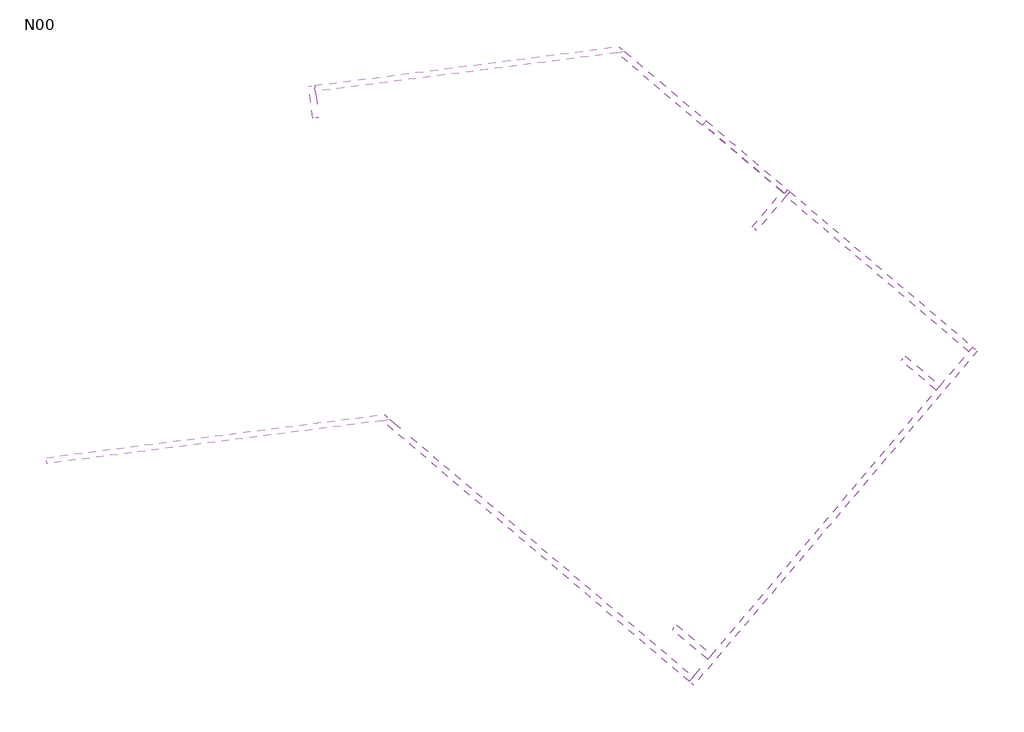
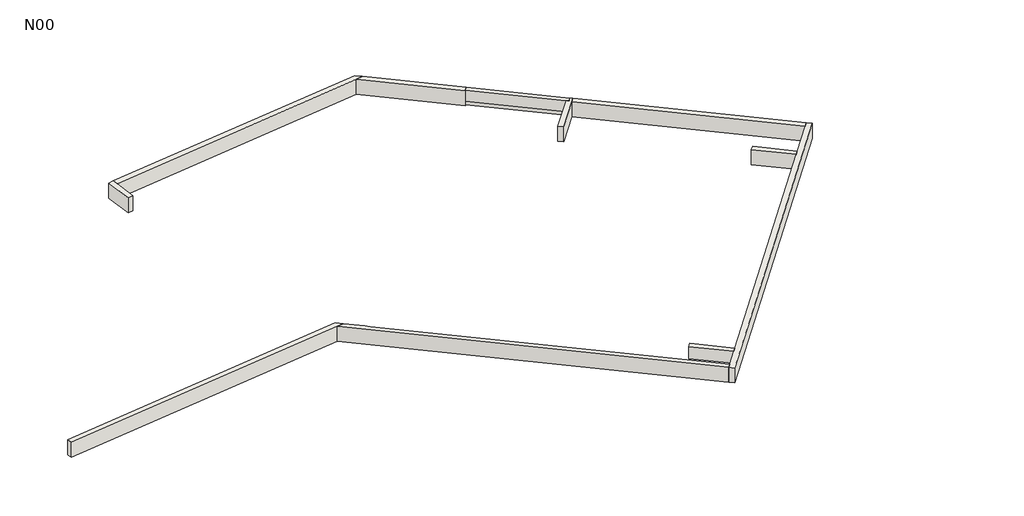
# One storey: 12 walls.
"""IFC4 building model written with IfcOpenShell, lengths in millimetres."""

from ifc_helpers import new_model, si_unit, frame, origin, place, context, project, spatial, polyline, outline, extrude, faceted_brep, element, save

model = new_model("IFC4")

# Units and contexts
model_context = context("Model", 3, world=origin())
ifc_project = project(units=[si_unit("LENGTHUNIT", "METRE", prefix="MILLI")], contexts=[model_context])

# Site, building, storey
site = spatial("IfcSite", under=ifc_project)
building = spatial("IfcBuilding", under=site)
storey = spatial("IfcBuildingStorey", under=building, Name="N00", Elevation=-100.0)

# Walls
placement = place(None, origin())
element("IfcWall", 1, at=placement, inside=storey, context=model_context, shape_type="Brep", body=[
    faceted_brep([(3519.5164184, 25230.0934417, 2580.0), (3374.9902932, 26360.8950154, 2580.0), (3342.0281945, 26618.7971287, 2580.0), (3342.0281945, 26618.7971287, 3380.0), (3374.9902932, 26360.8950154, 3380.0), (3519.5164184, 25230.0934417, 3380.0), (3261.6143051, 25197.1313429, 2580.0), (3261.6143051, 25197.1313429, 3380.0), (3084.1260812, 26585.83503, 3380.0), (3084.1260812, 26585.83503, 2580.0)], [[[0, 1, 2, 3, 4, 5]], [[6, 7, 8, 9]], [[2, 1, 0, 6, 9]], [[5, 4, 3, 8, 7]], [[3, 2, 9, 8]], [[0, 5, 7, 6]]]),
])
element("IfcWall", 2, at=placement, inside=storey, context=model_context, shape_type="Brep", body=[
    faceted_brep([(3374.9902932, 26360.8950154, 2580.0), (16418.3267749, 28027.945119, 2580.0), (16767.5472845, 28072.5784908, 2580.0), (16767.5472845, 28072.5784908, 3380.0), (16418.3267749, 28027.945119, 3380.0), (3374.9902932, 26360.8950154, 3380.0), (3342.0281945, 26618.7971287, 2580.0), (3342.0281945, 26618.7971287, 3380.0), (16499.125074, 28300.3867854, 3380.0), (16499.125074, 28300.3867854, 2580.0)], [[[0, 1, 2, 3, 4, 5]], [[6, 7, 8, 9]], [[2, 1, 0, 6, 9]], [[5, 4, 3, 8, 7]], [[0, 5, 7, 6]], [[3, 2, 9, 8]]]),
])
element("IfcWall", 3, at=placement, inside=storey, context=model_context, shape_type="Brep", body=[
    faceted_brep([(16418.3267749, 28027.945119, 2580.0), (20116.9307255, 24888.9624826, 2580.0), (20116.9307255, 24888.9624826, 3380.0), (16418.3267749, 28027.945119, 3380.0), (16767.5472845, 28072.5784908, 2580.0), (16767.5472845, 28072.5784908, 3380.0), (20285.168956, 25087.1944119, 3380.0), (20285.168956, 25087.1944119, 2800.0), (20285.168956, 25087.1944119, 2580.0), (20142.8135302, 24919.4597025, 3380.0)], [[[0, 1, 2, 3]], [[4, 5, 6, 7, 8]], [[1, 0, 4, 8]], [[2, 1, 8, 7, 6, 9]], [[3, 2, 9, 6, 5]], [[0, 3, 5, 4]]]),
])
element("IfcWall", 4, at=placement, inside=storey, context=model_context, shape_type="Brep", body=[
    faceted_brep([(31822.4286118, 15295.592441, 2580.0), (31654.1903813, 15097.3605117, 2580.0), (30408.8503836, 13629.9999147, 2580.0), (30240.6121531, 13431.7679854, 2580.0), (19719.2520489, 1034.648105, 2580.0), (19551.0138184, 836.4161757, 2580.0), (19551.0138184, 836.4161757, 3380.0), (19719.2520489, 1034.648105, 3380.0), (20353.3807639, 1781.8299923, 3380.0), (20521.6189944, 1980.0619216, 3380.0), (30240.6121531, 13431.7679854, 3380.0), (30408.8503836, 13629.9999147, 3380.0), (31654.1903813, 15097.3605117, 3380.0), (31822.4286118, 15295.592441, 3380.0), (32020.6605411, 15127.3542105, 2580.0), (32020.6605411, 15127.3542105, 3380.0), (19749.2457476, 668.1779451, 3380.0), (19749.2457476, 668.1779451, 2580.0)], [[[0, 1, 2, 3, 4, 5, 6, 7, 8, 9, 10, 11, 12, 13]], [[14, 15, 16, 17]], [[5, 4, 3, 2, 1, 0, 14, 17]], [[13, 12, 11, 10, 9, 8, 7, 6, 16, 15]], [[0, 13, 15, 14]], [[6, 5, 17, 16]]]),
])
element("IfcWall", 5, at=placement, inside=storey, context=model_context, shape_type="SweptSolid", body=[
    extrude(outline(polyline([(20353.3807639, 1781.8299923), (18828.5197694, 3075.9702271), (18996.7579999, 3274.2021564), (20521.6189944, 1980.0619216), (20353.3807639, 1781.8299923)])), frame((0.0, 0.0, 2740.0), z_axis=(0.0, 0.0, 1.0), x_axis=(1.0, 0.0, 0.0)), (0.0, 0.0, 1.0), 640.0),
])
element("IfcWall", 6, at=placement, inside=storey, context=model_context, shape_type="Brep", body=[
    faceted_brep([(6345.6563419, 12384.7372933, 2580.0), (-8255.6366019, 10518.5670117, 2580.0), (-8255.6366019, 10518.5670117, 3380.0), (6345.6563419, 12384.7372933, 3380.0), (6614.0785525, 12156.9289987, 2580.0), (6614.0785525, 12156.9289987, 3380.0), (6264.8580429, 12112.2956269, 3380.0), (-8222.6745031, 10260.6648984, 3380.0), (-8222.6745031, 10260.6648984, 2580.0), (6264.8580429, 12112.2956269, 2580.0)], [[[0, 1, 2, 3]], [[4, 5, 6, 7, 8, 9]], [[1, 0, 4, 9, 8]], [[2, 1, 8, 7]], [[3, 2, 7, 6, 5]], [[0, 3, 5, 4]]]),
])
element("IfcWall", 7, at=placement, inside=storey, context=model_context, shape_type="Brep", body=[
    faceted_brep([(22474.640153, 20337.483937, 2580.0), (23732.9215315, 21820.0931185, 2580.0), (23901.159762, 22018.3250478, 2580.0), (23901.159762, 22018.3250478, 3380.0), (23732.9215315, 21820.0931185, 3380.0), (22474.640153, 20337.483937, 3380.0), (22276.4082243, 20505.7221682, 2580.0), (22276.4082243, 20505.7221682, 3380.0), (23560.5724069, 22018.8285689, 3380.0), (23560.5724069, 22018.8285689, 2800.0), (23573.5138093, 22034.0771789, 2800.0), (23573.5138093, 22034.0771789, 2580.0), (23672.6297739, 21949.9580636, 2580.0), (23802.0437974, 22102.4441631, 2580.0), (23802.0437974, 22102.4441631, 3380.0), (23659.6883716, 21934.7094537, 3380.0), (23802.0437974, 22102.4441631, 2800.0), (23672.6297739, 21949.9580636, 2800.0), (23659.6883716, 21934.7094537, 2800.0)], [[[0, 1, 2, 3, 4, 5]], [[6, 7, 8, 9, 10, 11]], [[2, 1, 0, 6, 11, 12, 13]], [[5, 4, 3, 14, 15, 8, 7]], [[0, 5, 7, 6]], [[3, 2, 13, 16, 14]], [[17, 12, 11, 10]], [[12, 17, 18, 15, 14, 16, 13]], [[15, 18, 9, 8]], [[18, 17, 10, 9]]]),
])
element("IfcWall", 8, at=placement, inside=storey, context=model_context, shape_type="SweptSolid", body=[
    extrude(outline(polyline([(30240.6121531, 13431.7679854), (28715.7511627, 14725.9082251), (28883.9893932, 14924.1401544), (30408.8503836, 13629.9999147), (30240.6121531, 13431.7679854)])), frame((0.0, 0.0, 2580.0), z_axis=(0.0, 0.0, 1.0), x_axis=(1.0, 0.0, 0.0)), (0.0, 0.0, 1.0), 800.0),
])
element("IfcWall", 9, at=placement, inside=storey, context=model_context, shape_type="Brep", body=[
    faceted_brep([(6264.8580429, 12112.2956269, 2580.0), (19551.0138184, 836.4161757, 2580.0), (19551.0138184, 836.4161757, 3380.0), (6264.8580429, 12112.2956269, 3380.0), (6614.0785525, 12156.9289987, 2580.0), (6614.0785525, 12156.9289987, 3380.0), (7332.195325, 11547.4676695, 3380.0), (7530.4272543, 11379.229439, 3380.0), (19719.2520489, 1034.648105, 3380.0), (19719.2520489, 1034.648105, 2580.0)], [[[0, 1, 2, 3]], [[4, 5, 6, 7, 8, 9]], [[1, 0, 4, 9]], [[3, 2, 8, 7, 6, 5]], [[0, 3, 5, 4]], [[2, 1, 9, 8]]]),
])
element("IfcWall", 10, at=placement, inside=storey, context=model_context, shape_type="SweptSolid", body=[
    extrude(outline(polyline([(31654.1903813, 15097.3605117), (23732.9215315, 21820.0931185), (23901.159762, 22018.3250478), (31822.4286118, 15295.592441), (31654.1903813, 15097.3605117)])), frame((0.0, 0.0, 2580.0), z_axis=(0.0, 0.0, 1.0), x_axis=(1.0, 0.0, 0.0)), (0.0, 0.0, 1.0), 800.0),
])
element("IfcWall", 11, at=placement, inside=storey, context=model_context, shape_type="Brep", body=[
    faceted_brep([(20142.8135302, 24919.4597025, 2800.0), (23560.5724069, 22018.8285689, 2800.0), (23659.6883716, 21934.7094537, 2800.0), (23659.6883716, 21934.7094537, 3380.0), (23560.5724069, 22018.8285689, 3380.0), (20142.8135302, 24919.4597025, 3380.0), (20285.168956, 25087.1944119, 2800.0), (20285.168956, 25087.1944119, 3380.0), (23802.0437974, 22102.4441631, 3380.0), (23802.0437974, 22102.4441631, 2800.0), (20155.7549325, 24934.7083124, 2800.0), (23672.6297739, 21949.9580636, 2800.0)], [[[0, 1, 2, 3, 4, 5]], [[6, 7, 8, 9]], [[2, 1, 0, 10, 6, 9, 11]], [[3, 2, 11, 9, 8]], [[5, 4, 3, 8, 7]], [[0, 5, 7, 6, 10]]]),
])
element("IfcWall", 12, at=placement, inside=storey, context=model_context, shape_type="Brep", body=[
    faceted_brep([(20155.7549325, 24934.7083124, 2580.0), (23573.5138093, 22034.0771789, 2580.0), (23672.6297739, 21949.9580636, 2580.0), (23672.6297739, 21949.9580636, 2800.0), (23573.5138093, 22034.0771789, 2800.0), (20155.7549325, 24934.7083124, 2800.0), (20285.168956, 25087.1944119, 2580.0), (20285.168956, 25087.1944119, 2800.0), (23802.0437974, 22102.4441631, 2800.0), (23802.0437974, 22102.4441631, 2580.0)], [[[0, 1, 2, 3, 4, 5]], [[6, 7, 8, 9]], [[2, 1, 0, 6, 9]], [[3, 2, 9, 8]], [[5, 4, 3, 8, 7]], [[0, 5, 7, 6]]]),
])

save(model, "model.ifc")
